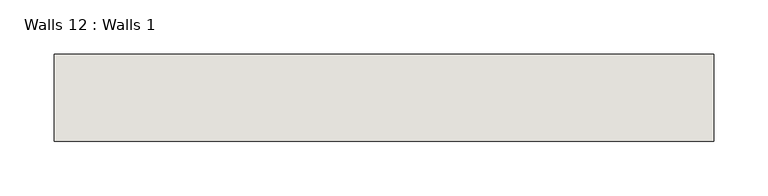
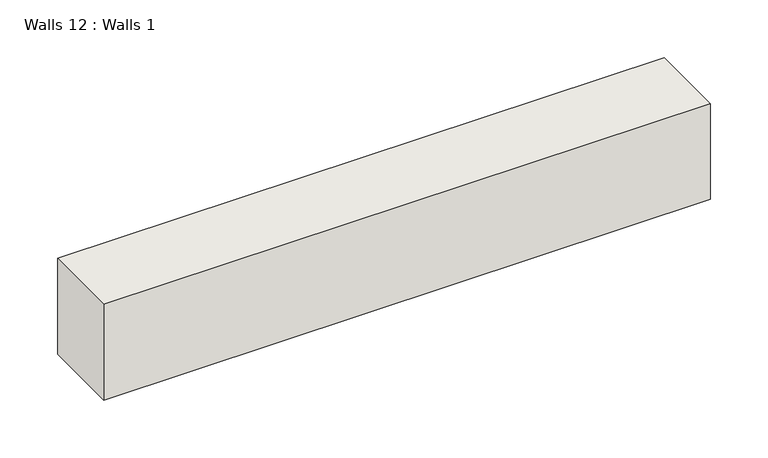
"""IFC4 building model written with IfcOpenShell, lengths in millimetres: wall geometry, Walls 12 : Walls 1."""

from ifc_helpers import new_model, si_unit, frame, origin, place, context, project, spatial, polyline, outline, extrude, source, transform, mapped, element, save


def walls_12_walls_1_f39ce54a(model_context):
    return source(origin(), model_context, "Body", "SweptSolid", [
        extrude(outline(polyline([(176342.3038016, -28845.0788709), (176342.3038016, -28925.5743465), (175733.7468725, -28925.5743465), (175733.7468725, -28845.0788709), (176342.3038016, -28845.0788709)])), frame((0.0, 0.0, 6997.7), z_axis=(0.0, 0.0, 1.0), x_axis=(1.0, 0.0, 0.0)), (0.0, 0.0, 1.0), 101.6),
    ])


if __name__ == "__main__":
    model = new_model("IFC4")
    model_context = context("Model", 3, world=origin())
    ifc_project = project(units=[si_unit("LENGTHUNIT", "METRE", prefix="MILLI")], contexts=[model_context])
    site = spatial("IfcSite", under=ifc_project)
    building = spatial("IfcBuilding", under=site)
    placement = place(None, origin())
    walls_12_walls_1_shape = walls_12_walls_1_f39ce54a(model_context)
    element("IfcWall", 1, ObjectType="Walls 12 : Walls 1", at=placement, inside=building, context=model_context, shape_type="MappedRepresentation", body=[
        mapped(walls_12_walls_1_shape, transform((0.0, 0.0, 0.0), x_axis=(1.0, 0.0, 0.0), y_axis=(0.0, 1.0, 0.0), z_axis=(0.0, 0.0, 1.0))),
    ])
    save(model, "model.ifc")
